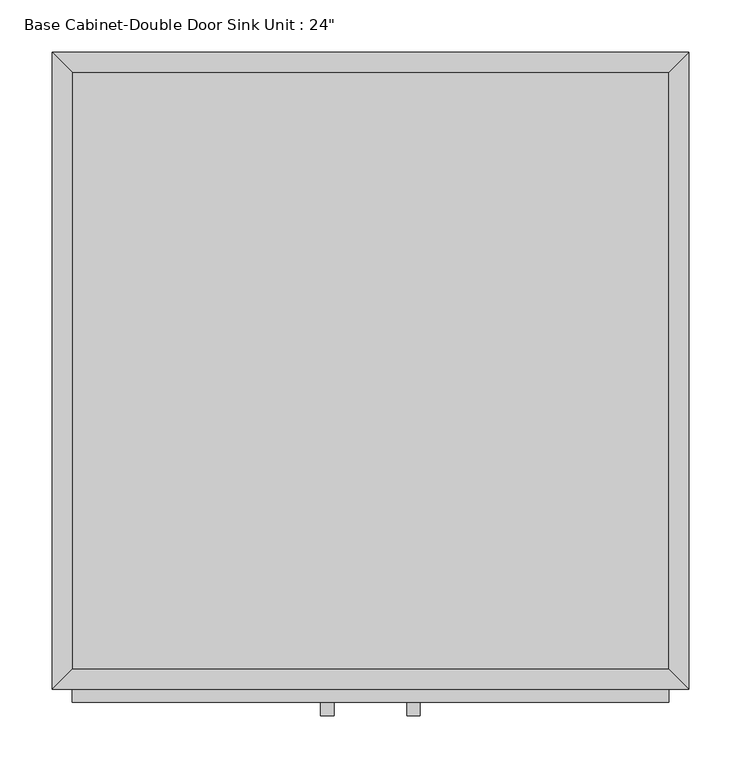
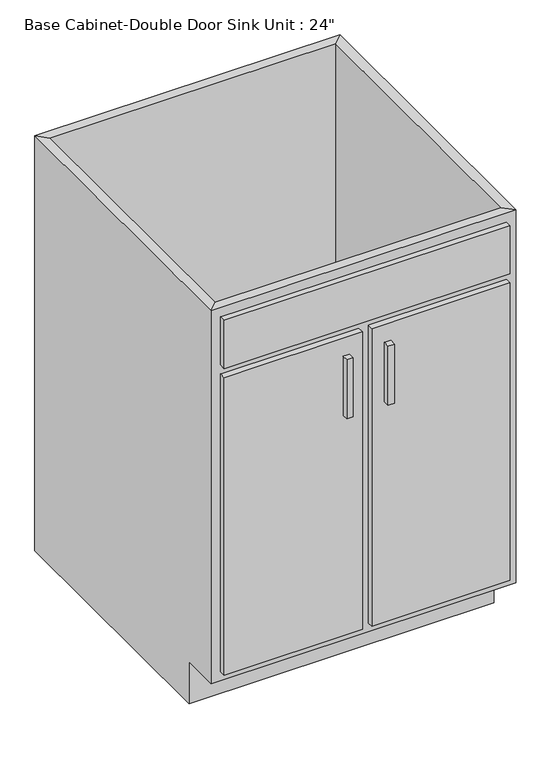
"""IFC4 building model written with IfcOpenShell, lengths in millimetres: furniture geometry."""

from ifc_helpers import new_model, si_unit, frame, origin, place, context, project, spatial, polyline, outline, extrude, faceted_brep, source, transform, mapped, element, save


def furniture_66a0986a(model_context):
    return source(origin(), model_context, "Body", "SolidModel", [
        faceted_brep([(304.4877049, -590.55, 876.3), (304.4877049, -590.55, 88.9), (-267.0122951, -590.55, 88.9), (-267.0122951, -590.55, 876.3), (-286.0622951, -609.6, 876.3), (323.5377049, -609.6, 876.3), (-286.0622951, -609.6, 88.9), (323.5377049, -609.6, 88.9), (-267.0122951, -533.4, 88.9), (-267.0122951, -19.05, 88.9), (-267.0122951, -19.05, 876.3), (-286.0622951, 0.0, 876.3), (-286.0622951, 0.0, 0.0), (-286.0622951, -533.4, 0.0), (-286.0622951, -533.4, 88.9), (304.4877049, -19.05, 88.9), (304.4877049, -19.05, 876.3), (323.5377049, 0.0, 876.3), (323.5377049, 0.0, 0.0), (304.4877049, -533.4, 88.9), (323.5377049, -533.4, 88.9), (323.5377049, -533.4, 0.0)], [[[0, 1, 2, 3]], [[0, 3, 4, 5]], [[5, 4, 6, 7]], [[2, 1, 7, 6]], [[3, 2, 8, 9, 10]], [[4, 3, 10, 11]], [[6, 4, 11, 12, 13, 14]], [[2, 6, 14, 8]], [[10, 9, 15, 16]], [[11, 10, 16, 17]], [[12, 11, 17, 18]], [[1, 0, 16, 15, 19]], [[0, 5, 17, 16]], [[5, 7, 20, 21, 18, 17]], [[7, 1, 19, 20]], [[8, 19, 15, 9]], [[18, 21, 13, 12]], [[13, 21, 20, 19, 8, 14]]]),
        extrude(outline(polyline([(-16.1872951, -635.0), (-28.8872951, -635.0), (-28.8872951, -622.3), (-16.1872951, -622.3), (-16.1872951, -635.0)])), frame((0.0, 0.0, 573.769895), z_axis=(0.0, 0.0, 1.0), x_axis=(1.0, 0.0, 0.0)), (0.0, 0.0, 1.0), 124.730105),
        extrude(outline(polyline([(66.3627049, -635.0), (53.6627049, -635.0), (53.6627049, -622.3), (66.3627049, -622.3), (66.3627049, -635.0)])), frame((0.0, 0.0, 573.769895), z_axis=(0.0, 0.0, 1.0), x_axis=(1.0, 0.0, 0.0)), (0.0, 0.0, 1.0), 124.730105),
        extrude(outline(polyline([(304.4877049, -19.05), (304.4877049, -590.55), (-267.0122951, -590.55), (-267.0122951, -19.05), (304.4877049, -19.05)])), frame((0.0, 0.0, 88.9), z_axis=(0.0, 0.0, 1.0), x_axis=(1.0, 0.0, 0.0)), (0.0, 0.0, 1.0), 19.05),
        extrude(outline(polyline([(9.2127049, -622.3), (-267.0122951, -622.3), (-267.0122951, -609.6), (9.2127049, -609.6), (9.2127049, -622.3)])), frame((0.0, 0.0, 107.95), z_axis=(0.0, 0.0, 1.0), x_axis=(1.0, 0.0, 0.0)), (0.0, 0.0, 1.0), 628.65),
        extrude(outline(polyline([(304.4877049, -622.3), (28.2627049, -622.3), (28.2627049, -609.6), (304.4877049, -609.6), (304.4877049, -622.3)])), frame((0.0, 0.0, 107.95), z_axis=(0.0, 0.0, 1.0), x_axis=(1.0, 0.0, 0.0)), (0.0, 0.0, 1.0), 628.65),
        extrude(outline(polyline([(304.4877049, -622.3), (-267.0122951, -622.3), (-267.0122951, -609.6), (304.4877049, -609.6), (304.4877049, -622.3)])), frame((0.0, 0.0, 755.65), z_axis=(0.0, 0.0, 1.0), x_axis=(1.0, 0.0, 0.0)), (0.0, 0.0, 1.0), 101.6),
    ])


if __name__ == "__main__":
    model = new_model("IFC4")
    model_context = context("Model", 3, world=origin())
    ifc_project = project(units=[si_unit("LENGTHUNIT", "METRE", prefix="MILLI")], contexts=[model_context])
    site = spatial("IfcSite", under=ifc_project)
    building = spatial("IfcBuilding", under=site)
    placement = place(None, origin())
    furniture_shape = furniture_66a0986a(model_context)
    element("IfcFurniture", 1, ObjectType="Base Cabinet-Double Door Sink Unit : 24\"", at=placement, inside=building, context=model_context, shape_type="MappedRepresentation", body=[
        mapped(furniture_shape, transform((0.0, 0.0, 0.0), x_axis=(1.0, 0.0, 0.0), y_axis=(0.0, 1.0, 0.0), z_axis=(0.0, 0.0, 1.0))),
    ])
    save(model, "model.ifc")
